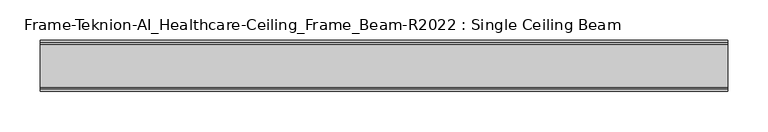
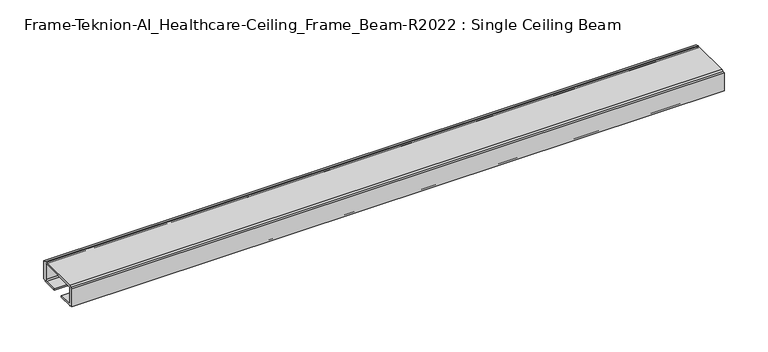
"""IFC4 building model written with IfcOpenShell, lengths in millimetres: furniture geometry, Frame-Teknion-AI_Healthcare-Ceiling_Frame_Beam-R2022 : Single Ceiling Beam."""

from ifc_helpers import new_model, si_unit, point, frame, frame_2d, origin, place, context, project, spatial, polyline, circle_curve, trimmed, segment, composite_curve, outline, extrude, source, transform, mapped, element, save


def frame_teknion_ai_healthcare_ceiling_frame_beam_r2022_single_72d32561(model_context):
    return source(origin(), model_context, "Body", "SweptSolid", [
        extrude(outline(composite_curve([segment(polyline([(-32.174996, 1573.5046), (-32.174996, 1598.9045998), (-28.999999, 1598.9045998), (-28.999999, 1597.787)]), True, "CONTINUOUS"), segment(trimmed(circle_curve(frame_2d((-26.5869991, 1597.787)), 2.413), [point((-28.999999, 1597.787))], [point((-26.5869991, 1600.2))], False, "CARTESIAN"), True, "CONTINUOUS"), segment(polyline([(-26.5869991, 1600.2), (26.5869991, 1600.2)]), True, "CONTINUOUS"), segment(trimmed(circle_curve(frame_2d((26.5869991, 1597.787)), 2.413), [point((26.5869991, 1600.2))], [point((28.999999, 1597.787))], False, "CARTESIAN"), True, "CONTINUOUS"), segment(polyline([(28.999999, 1597.787), (28.999999, 1598.9045998), (32.174996, 1598.9045998), (32.174996, 1573.5046), (28.999999, 1573.5046), (28.999999, 1574.6129989)]), True, "CONTINUOUS"), segment(trimmed(circle_curve(frame_2d((26.5869991, 1574.6129989)), 2.413), [point((28.999999, 1574.6129989))], [point((26.5869991, 1572.199999))], False, "CARTESIAN"), True, "CONTINUOUS"), segment(polyline([(26.5869991, 1572.199999), (7.9374947, 1572.199999), (7.9374947, 1574.4859991), (25.4440002, 1574.4859991)]), True, "CONTINUOUS"), segment(trimmed(circle_curve(frame_2d((25.4440002, 1576.0099999)), 1.5240008), [point((25.4440002, 1574.4859991))], [point((26.968001, 1576.0099999))], True, "CARTESIAN"), True, "CONTINUOUS"), segment(polyline([(26.968001, 1576.0099999), (26.968001, 1597.1520009)]), True, "CONTINUOUS"), segment(trimmed(circle_curve(frame_2d((25.9520019, 1597.1520009)), 1.015999), [point((26.968001, 1597.1520009))], [point((25.9520019, 1598.168))], True, "CARTESIAN"), True, "CONTINUOUS"), segment(polyline([(25.9520019, 1598.168), (-25.9520019, 1598.168)]), True, "CONTINUOUS"), segment(trimmed(circle_curve(frame_2d((-25.9520019, 1597.1520009)), 1.015999), [point((-25.9520019, 1598.168))], [point((-26.968001, 1597.1520009))], True, "CARTESIAN"), True, "CONTINUOUS"), segment(polyline([(-26.968001, 1597.1520009), (-26.968001, 1576.0099999)]), True, "CONTINUOUS"), segment(trimmed(circle_curve(frame_2d((-25.4440002, 1576.0099999)), 1.5240008), [point((-26.968001, 1576.0099999))], [point((-25.4440002, 1574.4859991))], True, "CARTESIAN"), True, "CONTINUOUS"), segment(polyline([(-25.4440002, 1574.4859991), (-7.9374947, 1574.4859991), (-7.9374947, 1572.199999), (-26.5869991, 1572.199999)]), True, "CONTINUOUS"), segment(trimmed(circle_curve(frame_2d((-26.5869991, 1574.6129989)), 2.413), [point((-26.5869991, 1572.199999))], [point((-28.999999, 1574.6129989))], False, "CARTESIAN"), True, "CONTINUOUS"), segment(polyline([(-28.999999, 1574.6129989), (-28.999999, 1573.5046), (-32.174996, 1573.5046)]), True, "CONTINUOUS")], self_intersect=False)), frame((-429.9204, 0.0, 0.0), z_axis=(1.0, 0.0, 0.0), x_axis=(0.0, 1.0, 0.0)), (0.0, 0.0, 1.0), 859.8408),
    ])


if __name__ == "__main__":
    model = new_model("IFC4")
    model_context = context("Model", 3, world=origin())
    ifc_project = project(units=[si_unit("LENGTHUNIT", "METRE", prefix="MILLI")], contexts=[model_context])
    site = spatial("IfcSite", under=ifc_project)
    building = spatial("IfcBuilding", under=site)
    placement = place(None, origin())
    frame_teknion_ai_healthcare_ceiling_frame_beam_r2022_single_shape = frame_teknion_ai_healthcare_ceiling_frame_beam_r2022_single_72d32561(model_context)
    element("IfcFurniture", 1, ObjectType="Frame-Teknion-AI_Healthcare-Ceiling_Frame_Beam-R2022 : Single Ceiling Beam", at=placement, inside=building, context=model_context, shape_type="MappedRepresentation", body=[
        mapped(frame_teknion_ai_healthcare_ceiling_frame_beam_r2022_single_shape, transform((0.0, 0.0, 0.0), x_axis=(1.0, 0.0, 0.0), y_axis=(0.0, 1.0, 0.0), z_axis=(0.0, 0.0, 1.0))),
    ])
    save(model, "model.ifc")
